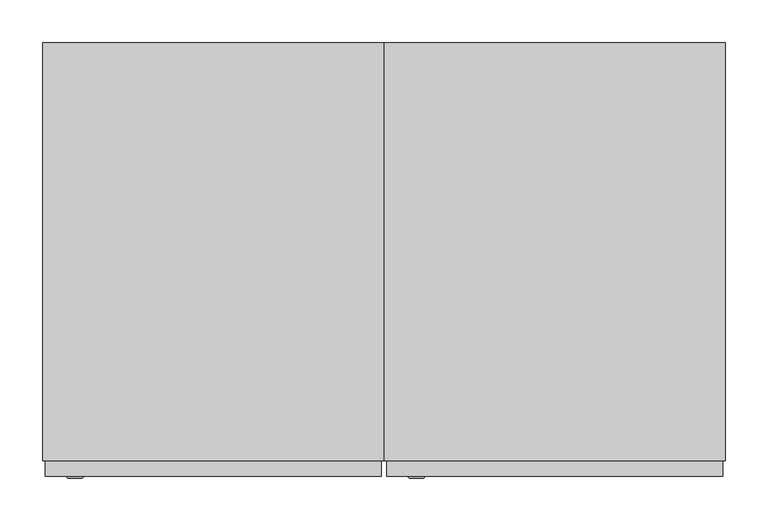
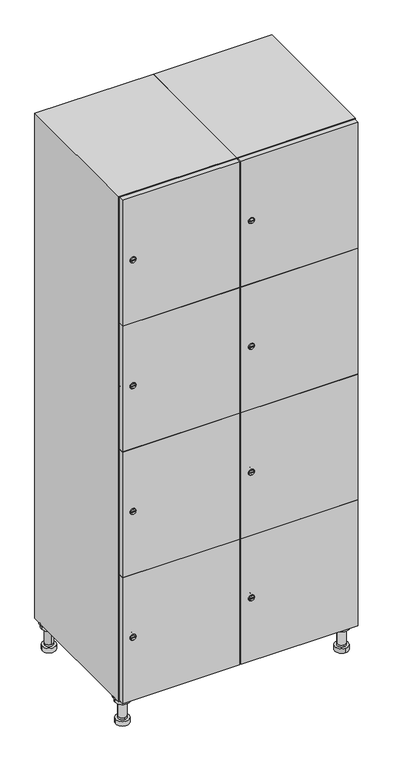
"""IFC4 building model written with IfcOpenShell, lengths in millimetres: furniture geometry."""

from ifc_helpers import new_model, si_unit, point, frame, frame_2d, origin, place, context, project, spatial, polyline, circle_curve, trimmed, segment, composite_curve, outline, extrude, faceted_brep, source, transform, mapped, element, save
from ifc_brep_helpers import plane_surface, cylinder_surface, revolved_surface, advanced_brep


def furniture_c2605e83(model_context):
    return source(origin(), model_context, "Body", "SolidModel", [
        advanced_brep(
        [(570.0, -201.0, 22.0), (570.0, -201.5, 16.0), (570.0, -228.5, 16.0), (570.0, -229.0, 22.0), (556.0, -215.0, 22.0), (584.0, -215.0, 22.0), (570.0, -192.5, 16.0), (570.0, -237.5, 16.0), (570.0, -192.5, 0.0), (570.0, -237.5, 0.0), (584.0, -215.0, 78.0), (556.0, -215.0, 78.0), (595.0, -215.0, 78.0), (545.0, -215.0, 78.0), (600.0, -215.0, 94.0), (540.0, -215.0, 94.0), (545.0, -215.0, 94.0), (595.0, -215.0, 94.0), (600.0, -215.0, 100.0), (540.0, -215.0, 100.0)],
        [
            (0, 1),
            (1, 2, circle_curve(frame((570.0, -215.0, 16.0), z_axis=(0.0, 0.0, 1.0), x_axis=(0.0, -1.0, 0.0)), 13.5)),
            (2, 3),
            (3, 4, circle_curve(frame((570.0, -215.0, 22.0), z_axis=(0.0, 0.0, -1.0), x_axis=(0.0, -1.0, 0.0)), 14.0)),
            (4, 0, circle_curve(frame((570.0, -215.0, 22.0), z_axis=(0.0, 0.0, -1.0), x_axis=(0.0, -1.0, 0.0)), 14.0)),
            (0, 5, circle_curve(frame((570.0, -215.0, 22.0), z_axis=(0.0, 0.0, -1.0), x_axis=(0.0, 1.0, 0.0)), 14.0)),
            (5, 3, circle_curve(frame((570.0, -215.0, 22.0), z_axis=(0.0, 0.0, -1.0), x_axis=(0.0, 1.0, 0.0)), 14.0)),
            (2, 1, circle_curve(frame((570.0, -215.0, 16.0), z_axis=(0.0, 0.0, 1.0), x_axis=(0.0, 1.0, 0.0)), 13.5)),
            (6, 7, circle_curve(frame((570.0, -215.0, 16.0), z_axis=(0.0, 0.0, 1.0), x_axis=(0.0, -1.0, 0.0)), 22.5)),
            (7, 6, circle_curve(frame((570.0, -215.0, 16.0), z_axis=(0.0, 0.0, 1.0), x_axis=(0.0, -1.0, 0.0)), 22.5)),
            (8, 9, circle_curve(frame((570.0, -215.0, 0.0), z_axis=(0.0, 0.0, -1.0), x_axis=(0.0, -1.0, 0.0)), 22.5)),
            (9, 8, circle_curve(frame((570.0, -215.0, 0.0), z_axis=(0.0, 0.0, -1.0), x_axis=(0.0, -1.0, 0.0)), 22.5)),
            (6, 8),
            (9, 7),
            (5, 10),
            (10, 11, circle_curve(frame((570.0, -215.0, 78.0), z_axis=(0.0, 0.0, -1.0), x_axis=(-1.0, 0.0, 0.0)), 14.0)),
            (11, 4),
            (11, 10, circle_curve(frame((570.0, -215.0, 78.0), z_axis=(0.0, 0.0, -1.0), x_axis=(-1.0, 0.0, 0.0)), 14.0)),
            (12, 13, circle_curve(frame((570.0, -215.0, 78.0), z_axis=(0.0, 0.0, -1.0), x_axis=(-1.0, 0.0, 0.0)), 25.0)),
            (13, 12, circle_curve(frame((570.0, -215.0, 78.0), z_axis=(0.0, 0.0, -1.0), x_axis=(-1.0, 0.0, 0.0)), 25.0)),
            (14, 15, circle_curve(frame((570.0, -215.0, 94.0), z_axis=(0.0, 0.0, -1.0), x_axis=(-1.0, 0.0, 0.0)), 30.0)),
            (15, 14, circle_curve(frame((570.0, -215.0, 94.0), z_axis=(0.0, 0.0, -1.0), x_axis=(-1.0, 0.0, 0.0)), 30.0)),
            (16, 17, circle_curve(frame((570.0, -215.0, 94.0), z_axis=(0.0, 0.0, 1.0), x_axis=(-1.0, 0.0, 0.0)), 25.0)),
            (17, 16, circle_curve(frame((570.0, -215.0, 94.0), z_axis=(0.0, 0.0, 1.0), x_axis=(-1.0, 0.0, 0.0)), 25.0)),
            (18, 19, circle_curve(frame((570.0, -215.0, 100.0), z_axis=(0.0, 0.0, 1.0), x_axis=(-1.0, 0.0, 0.0)), 30.0)),
            (19, 18, circle_curve(frame((570.0, -215.0, 100.0), z_axis=(0.0, 0.0, 1.0), x_axis=(-1.0, 0.0, 0.0)), 30.0)),
            (14, 18),
            (19, 15),
            (12, 17),
            (16, 13),
        ],
        [
            revolved_surface(polyline([(570.0, -201.5, 16.0), (570.0, -201.0, 22.0)]), (570.0, -215.0, -146.0), (0.0, 0.0, 1.0)),
            plane_surface(frame((570.0, 0.0, 16.0), z_axis=(0.0, 0.0, 1.0), x_axis=(0.0, -1.0, 0.0))),
            plane_surface(frame((570.0, 0.0, 0.0), z_axis=(0.0, 0.0, -1.0), x_axis=(0.0, -1.0, 0.0))),
            cylinder_surface(frame((570.0, -215.0, 16.0), z_axis=(0.0, 0.0, 1.0), x_axis=(0.0, -1.0, 0.0)), 22.5),
            cylinder_surface(frame((570.0, -215.0, 22.0), z_axis=(0.0, 0.0, -1.0), x_axis=(-1.0, 0.0, 0.0)), 14.0),
            plane_surface(frame((570.0, 0.0, 78.0), z_axis=(0.0, 0.0, -1.0), x_axis=(0.0, -1.0, 0.0))),
            plane_surface(frame((570.0, 0.0, 94.0), z_axis=(0.0, 0.0, -1.0), x_axis=(0.0, -1.0, 0.0))),
            plane_surface(frame((570.0, 0.0, 100.0), z_axis=(0.0, 0.0, 1.0), x_axis=(0.0, -1.0, 0.0))),
            cylinder_surface(frame((570.0, -215.0, 94.0), z_axis=(0.0, 0.0, -1.0), x_axis=(-1.0, 0.0, 0.0)), 30.0),
            cylinder_surface(frame((570.0, -215.0, 78.0), z_axis=(0.0, 0.0, -1.0), x_axis=(-1.0, 0.0, 0.0)), 25.0),
        ],
        [
            (0, [[1, 2, 3, 4, 5]]),
            (0, [[-1, 6, 7, -3, 8]]),
            (1, [[9, 10], [-2, -8]]),
            (2, [[11, 12]]),
            (3, [[-9, 13, -12, 14]]),
            (3, [[-10, -14, -11, -13]]),
            (4, [[15, 16, 17, -4, -7]]),
            (4, [[-15, -6, -5, -17, 18]]),
            (5, [[19, 20], [-16, -18]]),
            (6, [[21, 22], [23, 24]]),
            (7, [[25, 26]]),
            (8, [[-21, 27, -26, 28]]),
            (8, [[-22, -28, -25, -27]]),
            (9, [[-19, 29, -23, 30]]),
            (9, [[-20, -30, -24, -29]]),
        ],
    ),
        advanced_brep(
        [(-170.0, -201.0, 22.0), (-170.0, -201.5, 16.0), (-170.0, -228.5, 16.0), (-170.0, -229.0, 22.0), (-184.0, -215.0, 22.0), (-156.0, -215.0, 22.0), (-147.5, -215.0, 0.0), (-192.5, -215.0, 0.0), (-147.5, -215.0, 16.0), (-192.5, -215.0, 16.0), (-156.0, -215.0, 78.0), (-184.0, -215.0, 78.0), (-145.0, -215.0, 78.0), (-195.0, -215.0, 78.0), (-140.0, -215.0, 94.0), (-200.0, -215.0, 94.0), (-195.0, -215.0, 94.0), (-145.0, -215.0, 94.0), (-140.0, -215.0, 100.0), (-200.0, -215.0, 100.0)],
        [
            (0, 1),
            (1, 2, circle_curve(frame((-170.0, -215.0, 16.0), z_axis=(0.0, 0.0, 1.0), x_axis=(0.0, -1.0, 0.0)), 13.5)),
            (2, 3),
            (3, 4, circle_curve(frame((-170.0, -215.0, 22.0), z_axis=(0.0, 0.0, -1.0), x_axis=(0.0, -1.0, 0.0)), 14.0)),
            (4, 0, circle_curve(frame((-170.0, -215.0, 22.0), z_axis=(0.0, 0.0, -1.0), x_axis=(0.0, -1.0, 0.0)), 14.0)),
            (0, 5, circle_curve(frame((-170.0, -215.0, 22.0), z_axis=(0.0, 0.0, -1.0), x_axis=(0.0, 1.0, 0.0)), 14.0)),
            (5, 3, circle_curve(frame((-170.0, -215.0, 22.0), z_axis=(0.0, 0.0, -1.0), x_axis=(0.0, 1.0, 0.0)), 14.0)),
            (2, 1, circle_curve(frame((-170.0, -215.0, 16.0), z_axis=(0.0, 0.0, 1.0), x_axis=(0.0, 1.0, 0.0)), 13.5)),
            (6, 7, circle_curve(frame((-170.0, -215.0, 0.0), z_axis=(0.0, 0.0, -1.0), x_axis=(-1.0, 0.0, 0.0)), 22.5)),
            (7, 6, circle_curve(frame((-170.0, -215.0, 0.0), z_axis=(0.0, 0.0, -1.0), x_axis=(-1.0, 0.0, 0.0)), 22.5)),
            (8, 9, circle_curve(frame((-170.0, -215.0, 16.0), z_axis=(0.0, 0.0, 1.0), x_axis=(-1.0, 0.0, 0.0)), 22.5)),
            (9, 8, circle_curve(frame((-170.0, -215.0, 16.0), z_axis=(0.0, 0.0, 1.0), x_axis=(-1.0, 0.0, 0.0)), 22.5)),
            (6, 8),
            (9, 7),
            (5, 10),
            (10, 11, circle_curve(frame((-170.0, -215.0, 78.0), z_axis=(0.0, 0.0, -1.0), x_axis=(-1.0, 0.0, 0.0)), 14.0)),
            (11, 4),
            (11, 10, circle_curve(frame((-170.0, -215.0, 78.0), z_axis=(0.0, 0.0, -1.0), x_axis=(-1.0, 0.0, 0.0)), 14.0)),
            (12, 13, circle_curve(frame((-170.0, -215.0, 78.0), z_axis=(0.0, 0.0, -1.0), x_axis=(-1.0, 0.0, 0.0)), 25.0)),
            (13, 12, circle_curve(frame((-170.0, -215.0, 78.0), z_axis=(0.0, 0.0, -1.0), x_axis=(-1.0, 0.0, 0.0)), 25.0)),
            (14, 15, circle_curve(frame((-170.0, -215.0, 94.0), z_axis=(0.0, 0.0, -1.0), x_axis=(-1.0, 0.0, 0.0)), 30.0)),
            (15, 14, circle_curve(frame((-170.0, -215.0, 94.0), z_axis=(0.0, 0.0, -1.0), x_axis=(-1.0, 0.0, 0.0)), 30.0)),
            (16, 17, circle_curve(frame((-170.0, -215.0, 94.0), z_axis=(0.0, 0.0, 1.0), x_axis=(-1.0, 0.0, 0.0)), 25.0)),
            (17, 16, circle_curve(frame((-170.0, -215.0, 94.0), z_axis=(0.0, 0.0, 1.0), x_axis=(-1.0, 0.0, 0.0)), 25.0)),
            (18, 19, circle_curve(frame((-170.0, -215.0, 100.0), z_axis=(0.0, 0.0, 1.0), x_axis=(-1.0, 0.0, 0.0)), 30.0)),
            (19, 18, circle_curve(frame((-170.0, -215.0, 100.0), z_axis=(0.0, 0.0, 1.0), x_axis=(-1.0, 0.0, 0.0)), 30.0)),
            (14, 18),
            (19, 15),
            (12, 17),
            (16, 13),
        ],
        [
            revolved_surface(polyline([(-170.0, -201.5, 16.0), (-170.0, -201.0, 22.0)]), (-170.0, -215.0, -146.0), (0.0, 0.0, 1.0)),
            plane_surface(frame((-170.0, 0.0, 0.0), z_axis=(0.0, 0.0, -1.0), x_axis=(0.0, -1.0, 0.0))),
            plane_surface(frame((-170.0, 0.0, 16.0), z_axis=(0.0, 0.0, 1.0), x_axis=(0.0, -1.0, 0.0))),
            cylinder_surface(frame((-170.0, -215.0, 0.0), z_axis=(0.0, 0.0, -1.0), x_axis=(-1.0, 0.0, 0.0)), 22.5),
            cylinder_surface(frame((-170.0, -215.0, 22.0), z_axis=(0.0, 0.0, -1.0), x_axis=(-1.0, 0.0, 0.0)), 14.0),
            plane_surface(frame((-170.0, 0.0, 78.0), z_axis=(0.0, 0.0, -1.0), x_axis=(0.0, -1.0, 0.0))),
            plane_surface(frame((-170.0, 0.0, 94.0), z_axis=(0.0, 0.0, -1.0), x_axis=(0.0, -1.0, 0.0))),
            plane_surface(frame((-170.0, 0.0, 100.0), z_axis=(0.0, 0.0, 1.0), x_axis=(0.0, -1.0, 0.0))),
            cylinder_surface(frame((-170.0, -215.0, 94.0), z_axis=(0.0, 0.0, -1.0), x_axis=(-1.0, 0.0, 0.0)), 30.0),
            cylinder_surface(frame((-170.0, -215.0, 78.0), z_axis=(0.0, 0.0, -1.0), x_axis=(-1.0, 0.0, 0.0)), 25.0),
        ],
        [
            (0, [[1, 2, 3, 4, 5]]),
            (0, [[-1, 6, 7, -3, 8]]),
            (1, [[9, 10]]),
            (2, [[11, 12], [-2, -8]]),
            (3, [[-9, 13, -12, 14]]),
            (3, [[-10, -14, -11, -13]]),
            (4, [[15, 16, 17, -4, -7]]),
            (4, [[-15, -6, -5, -17, 18]]),
            (5, [[19, 20], [-16, -18]]),
            (6, [[21, 22], [23, 24]]),
            (7, [[25, 26]]),
            (8, [[-21, 27, -26, 28]]),
            (8, [[-22, -28, -25, -27]]),
            (9, [[-19, 29, -23, 30]]),
            (9, [[-20, -30, -24, -29]]),
        ],
    ),
        advanced_brep(
        [(583.5, 215.0, 16.0), (584.0, 215.0, 22.0), (556.0, 215.0, 22.0), (556.5, 215.0, 16.0), (592.5, 215.0, 0.0), (547.5, 215.0, 0.0), (592.5, 215.0, 16.0), (547.5, 215.0, 16.0), (584.0, 215.0, 78.0), (556.0, 215.0, 78.0), (595.0, 215.0, 78.0), (545.0, 215.0, 78.0), (600.0, 215.0, 94.0), (540.0, 215.0, 94.0), (545.0, 215.0, 94.0), (595.0, 215.0, 94.0), (600.0, 215.0, 100.0), (540.0, 215.0, 100.0)],
        [
            (0, 1),
            (1, 2, circle_curve(frame((570.0, 215.0, 22.0), z_axis=(0.0, 0.0, -1.0), x_axis=(-1.0, 0.0, 0.0)), 14.0)),
            (2, 3),
            (3, 0, circle_curve(frame((570.0, 215.0, 16.0), z_axis=(0.0, 0.0, 1.0), x_axis=(-1.0, 0.0, 0.0)), 13.5)),
            (0, 3, circle_curve(frame((570.0, 215.0, 16.0), z_axis=(0.0, 0.0, 1.0), x_axis=(1.0, 0.0, 0.0)), 13.5)),
            (2, 1, circle_curve(frame((570.0, 215.0, 22.0), z_axis=(0.0, 0.0, -1.0), x_axis=(1.0, 0.0, 0.0)), 14.0)),
            (4, 5, circle_curve(frame((570.0, 215.0, 0.0), z_axis=(0.0, 0.0, -1.0), x_axis=(-1.0, 0.0, 0.0)), 22.5)),
            (5, 4, circle_curve(frame((570.0, 215.0, 0.0), z_axis=(0.0, 0.0, -1.0), x_axis=(-1.0, 0.0, 0.0)), 22.5)),
            (6, 7, circle_curve(frame((570.0, 215.0, 16.0), z_axis=(0.0, 0.0, 1.0), x_axis=(-1.0, 0.0, 0.0)), 22.5)),
            (7, 6, circle_curve(frame((570.0, 215.0, 16.0), z_axis=(0.0, 0.0, 1.0), x_axis=(-1.0, 0.0, 0.0)), 22.5)),
            (4, 6),
            (7, 5),
            (1, 8),
            (8, 9, circle_curve(frame((570.0, 215.0, 78.0), z_axis=(0.0, 0.0, -1.0), x_axis=(-1.0, 0.0, 0.0)), 14.0)),
            (9, 2),
            (9, 8, circle_curve(frame((570.0, 215.0, 78.0), z_axis=(0.0, 0.0, -1.0), x_axis=(-1.0, 0.0, 0.0)), 14.0)),
            (10, 11, circle_curve(frame((570.0, 215.0, 78.0), z_axis=(0.0, 0.0, -1.0), x_axis=(-1.0, 0.0, 0.0)), 25.0)),
            (11, 10, circle_curve(frame((570.0, 215.0, 78.0), z_axis=(0.0, 0.0, -1.0), x_axis=(-1.0, 0.0, 0.0)), 25.0)),
            (12, 13, circle_curve(frame((570.0, 215.0, 94.0), z_axis=(0.0, 0.0, -1.0), x_axis=(-1.0, 0.0, 0.0)), 30.0)),
            (13, 12, circle_curve(frame((570.0, 215.0, 94.0), z_axis=(0.0, 0.0, -1.0), x_axis=(-1.0, 0.0, 0.0)), 30.0)),
            (14, 15, circle_curve(frame((570.0, 215.0, 94.0), z_axis=(0.0, 0.0, 1.0), x_axis=(-1.0, 0.0, 0.0)), 25.0)),
            (15, 14, circle_curve(frame((570.0, 215.0, 94.0), z_axis=(0.0, 0.0, 1.0), x_axis=(-1.0, 0.0, 0.0)), 25.0)),
            (16, 17, circle_curve(frame((570.0, 215.0, 100.0), z_axis=(0.0, 0.0, 1.0), x_axis=(-1.0, 0.0, 0.0)), 30.0)),
            (17, 16, circle_curve(frame((570.0, 215.0, 100.0), z_axis=(0.0, 0.0, 1.0), x_axis=(-1.0, 0.0, 0.0)), 30.0)),
            (12, 16),
            (17, 13),
            (10, 15),
            (14, 11),
        ],
        [
            revolved_surface(polyline([(583.5, 215.0, 16.0), (584.0, 215.0, 22.0)]), (570.0, 215.0, -146.0), (0.0, 0.0, 1.0)),
            plane_surface(frame((570.0, 0.0, 0.0), z_axis=(0.0, 0.0, -1.0), x_axis=(0.0, -1.0, 0.0))),
            plane_surface(frame((570.0, 0.0, 16.0), z_axis=(0.0, 0.0, 1.0), x_axis=(0.0, -1.0, 0.0))),
            cylinder_surface(frame((570.0, 215.0, 0.0), z_axis=(0.0, 0.0, -1.0), x_axis=(-1.0, 0.0, 0.0)), 22.5),
            cylinder_surface(frame((570.0, 215.0, 22.0), z_axis=(0.0, 0.0, -1.0), x_axis=(-1.0, 0.0, 0.0)), 14.0),
            plane_surface(frame((570.0, 0.0, 78.0), z_axis=(0.0, 0.0, -1.0), x_axis=(0.0, -1.0, 0.0))),
            plane_surface(frame((570.0, 0.0, 94.0), z_axis=(0.0, 0.0, -1.0), x_axis=(0.0, -1.0, 0.0))),
            plane_surface(frame((570.0, 0.0, 100.0), z_axis=(0.0, 0.0, 1.0), x_axis=(0.0, -1.0, 0.0))),
            cylinder_surface(frame((570.0, 215.0, 94.0), z_axis=(0.0, 0.0, -1.0), x_axis=(-1.0, 0.0, 0.0)), 30.0),
            cylinder_surface(frame((570.0, 215.0, 78.0), z_axis=(0.0, 0.0, -1.0), x_axis=(-1.0, 0.0, 0.0)), 25.0),
        ],
        [
            (0, [[1, 2, 3, 4]]),
            (0, [[-1, 5, -3, 6]]),
            (1, [[7, 8]]),
            (2, [[9, 10], [-4, -5]]),
            (3, [[-7, 11, -10, 12]]),
            (3, [[-8, -12, -9, -11]]),
            (4, [[13, 14, 15, -2]]),
            (4, [[-13, -6, -15, 16]]),
            (5, [[17, 18], [-14, -16]]),
            (6, [[19, 20], [21, 22]]),
            (7, [[23, 24]]),
            (8, [[-19, 25, -24, 26]]),
            (8, [[-20, -26, -23, -25]]),
            (9, [[-17, 27, -21, 28]]),
            (9, [[-18, -28, -22, -27]]),
        ],
    ),
        advanced_brep(
        [(-156.5, 215.0, 16.0), (-156.0, 215.0, 22.0), (-170.0, 201.0, 22.0), (-184.0, 215.0, 22.0), (-183.5, 215.0, 16.0), (-170.0, 229.0, 22.0), (-147.5, 215.0, 0.0), (-192.5, 215.0, 0.0), (-147.5, 215.0, 16.0), (-192.5, 215.0, 16.0), (-170.0, 229.0, 78.0), (-170.0, 201.0, 78.0), (-145.0, 215.0, 78.0), (-195.0, 215.0, 78.0), (-140.0, 215.0, 94.0), (-200.0, 215.0, 94.0), (-195.0, 215.0, 94.0), (-145.0, 215.0, 94.0), (-140.0, 215.0, 100.0), (-200.0, 215.0, 100.0)],
        [
            (0, 1),
            (1, 2, circle_curve(frame((-170.0, 215.0, 22.0), z_axis=(0.0, 0.0, -1.0), x_axis=(-1.0, 0.0, 0.0)), 14.0)),
            (2, 3, circle_curve(frame((-170.0, 215.0, 22.0), z_axis=(0.0, 0.0, -1.0), x_axis=(-1.0, 0.0, 0.0)), 14.0)),
            (3, 4),
            (4, 0, circle_curve(frame((-170.0, 215.0, 16.0), z_axis=(0.0, 0.0, 1.0), x_axis=(-1.0, 0.0, 0.0)), 13.5)),
            (0, 4, circle_curve(frame((-170.0, 215.0, 16.0), z_axis=(0.0, 0.0, 1.0), x_axis=(1.0, 0.0, 0.0)), 13.5)),
            (3, 5, circle_curve(frame((-170.0, 215.0, 22.0), z_axis=(0.0, 0.0, -1.0), x_axis=(1.0, 0.0, 0.0)), 14.0)),
            (5, 1, circle_curve(frame((-170.0, 215.0, 22.0), z_axis=(0.0, 0.0, -1.0), x_axis=(1.0, 0.0, 0.0)), 14.0)),
            (6, 7, circle_curve(frame((-170.0, 215.0, 0.0), z_axis=(0.0, 0.0, -1.0), x_axis=(-1.0, 0.0, 0.0)), 22.5)),
            (7, 6, circle_curve(frame((-170.0, 215.0, 0.0), z_axis=(0.0, 0.0, -1.0), x_axis=(-1.0, 0.0, 0.0)), 22.5)),
            (8, 9, circle_curve(frame((-170.0, 215.0, 16.0), z_axis=(0.0, 0.0, 1.0), x_axis=(-1.0, 0.0, 0.0)), 22.5)),
            (9, 8, circle_curve(frame((-170.0, 215.0, 16.0), z_axis=(0.0, 0.0, 1.0), x_axis=(-1.0, 0.0, 0.0)), 22.5)),
            (6, 8),
            (9, 7),
            (10, 5),
            (2, 11),
            (11, 10, circle_curve(frame((-170.0, 215.0, 78.0), z_axis=(0.0, 0.0, -1.0), x_axis=(0.0, -1.0, 0.0)), 14.0)),
            (10, 11, circle_curve(frame((-170.0, 215.0, 78.0), z_axis=(0.0, 0.0, -1.0), x_axis=(0.0, -1.0, 0.0)), 14.0)),
            (12, 13, circle_curve(frame((-170.0, 215.0, 78.0), z_axis=(0.0, 0.0, -1.0), x_axis=(-1.0, 0.0, 0.0)), 25.0)),
            (13, 12, circle_curve(frame((-170.0, 215.0, 78.0), z_axis=(0.0, 0.0, -1.0), x_axis=(-1.0, 0.0, 0.0)), 25.0)),
            (14, 15, circle_curve(frame((-170.0, 215.0, 94.0), z_axis=(0.0, 0.0, -1.0), x_axis=(-1.0, 0.0, 0.0)), 30.0)),
            (15, 14, circle_curve(frame((-170.0, 215.0, 94.0), z_axis=(0.0, 0.0, -1.0), x_axis=(-1.0, 0.0, 0.0)), 30.0)),
            (16, 17, circle_curve(frame((-170.0, 215.0, 94.0), z_axis=(0.0, 0.0, 1.0), x_axis=(-1.0, 0.0, 0.0)), 25.0)),
            (17, 16, circle_curve(frame((-170.0, 215.0, 94.0), z_axis=(0.0, 0.0, 1.0), x_axis=(-1.0, 0.0, 0.0)), 25.0)),
            (18, 19, circle_curve(frame((-170.0, 215.0, 100.0), z_axis=(0.0, 0.0, 1.0), x_axis=(-1.0, 0.0, 0.0)), 30.0)),
            (19, 18, circle_curve(frame((-170.0, 215.0, 100.0), z_axis=(0.0, 0.0, 1.0), x_axis=(-1.0, 0.0, 0.0)), 30.0)),
            (14, 18),
            (19, 15),
            (12, 17),
            (16, 13),
        ],
        [
            revolved_surface(polyline([(-156.5, 215.0, 16.0), (-156.0, 215.0, 22.0)]), (-170.0, 215.0, -146.0), (0.0, 0.0, 1.0)),
            plane_surface(frame((-170.0, 0.0, 0.0), z_axis=(0.0, 0.0, -1.0), x_axis=(0.0, -1.0, 0.0))),
            plane_surface(frame((-170.0, 0.0, 16.0), z_axis=(0.0, 0.0, 1.0), x_axis=(0.0, -1.0, 0.0))),
            cylinder_surface(frame((-170.0, 215.0, 0.0), z_axis=(0.0, 0.0, -1.0), x_axis=(-1.0, 0.0, 0.0)), 22.5),
            cylinder_surface(frame((-170.0, 215.0, 78.0), z_axis=(0.0, 0.0, 1.0), x_axis=(0.0, -1.0, 0.0)), 14.0),
            plane_surface(frame((-170.0, 0.0, 78.0), z_axis=(0.0, 0.0, -1.0), x_axis=(0.0, -1.0, 0.0))),
            plane_surface(frame((-170.0, 0.0, 94.0), z_axis=(0.0, 0.0, -1.0), x_axis=(0.0, -1.0, 0.0))),
            plane_surface(frame((-170.0, 0.0, 100.0), z_axis=(0.0, 0.0, 1.0), x_axis=(0.0, -1.0, 0.0))),
            cylinder_surface(frame((-170.0, 215.0, 94.0), z_axis=(0.0, 0.0, -1.0), x_axis=(-1.0, 0.0, 0.0)), 30.0),
            cylinder_surface(frame((-170.0, 215.0, 78.0), z_axis=(0.0, 0.0, -1.0), x_axis=(-1.0, 0.0, 0.0)), 25.0),
        ],
        [
            (0, [[1, 2, 3, 4, 5]]),
            (0, [[-1, 6, -4, 7, 8]]),
            (1, [[9, 10]]),
            (2, [[11, 12], [-5, -6]]),
            (3, [[-9, 13, -12, 14]]),
            (3, [[-10, -14, -11, -13]]),
            (4, [[15, -7, -3, 16, 17]]),
            (4, [[-15, 18, -16, -2, -8]]),
            (5, [[19, 20], [-17, -18]]),
            (6, [[21, 22], [23, 24]]),
            (7, [[25, 26]]),
            (8, [[-21, 27, -26, 28]]),
            (8, [[-22, -28, -25, -27]]),
            (9, [[-19, 29, -23, 30]]),
            (9, [[-20, -30, -24, -29]]),
        ],
    ),
        extrude(outline(composite_curve([segment(trimmed(circle_curve(frame_2d((327.25, 211.2010534)), 7.0), [point((334.25, 211.2010534))], [point((320.25, 211.2010534))], False, "CARTESIAN"), True, "CONTINUOUS"), segment(polyline([(320.25, 211.2010534), (320.25, 239.2010534)]), True, "CONTINUOUS"), segment(trimmed(circle_curve(frame_2d((327.25, 239.2010534)), 7.0), [point((320.25, 239.2010534))], [point((334.25, 239.2010534))], False, "CARTESIAN"), True, "CONTINUOUS"), segment(polyline([(334.25, 239.2010534), (334.25, 211.2010534)]), True, "CONTINUOUS")], self_intersect=False)), frame((0.0, -245.0, 0.0), z_axis=(0.0, 1.0, 0.0), x_axis=(0.0, 0.0, 1.0)), (0.0, 0.0, 1.0), 2.0),
        advanced_brep(
        [(246.5, -265.2, 327.25), (229.5, -265.2, 327.25), (233.0, -265.2, 326.0), (233.0, -265.2, 328.5), (243.0, -265.2, 328.5), (243.0, -265.2, 326.0), (248.5, -263.0, 327.25), (227.5, -263.0, 327.25), (233.0, -263.0, 328.5), (233.0, -263.0, 326.0), (243.0, -263.0, 326.0), (243.0, -263.0, 328.5)],
        [
            (0, 1, circle_curve(frame((238.0, -265.2, 327.25), z_axis=(0.0, -1.0, 0.0), x_axis=(1.0, 0.0, 0.0)), 8.5)),
            (1, 0, circle_curve(frame((238.0, -265.2, 327.25), z_axis=(0.0, -1.0, 0.0), x_axis=(-1.0, 0.0, 0.0)), 8.5)),
            (2, 3),
            (3, 4),
            (4, 5),
            (5, 2),
            (6, 7, circle_curve(frame((238.0, -263.0, 327.25), z_axis=(0.0, 1.0, 0.0), x_axis=(-1.0, 0.0, 0.0)), 10.5)),
            (7, 6, circle_curve(frame((238.0, -263.0, 327.25), z_axis=(0.0, 1.0, 0.0), x_axis=(1.0, 0.0, 0.0)), 10.5)),
            (8, 9),
            (9, 10),
            (10, 11),
            (11, 8),
            (0, 6),
            (7, 1),
            (8, 3),
            (2, 9),
            (11, 4),
            (10, 5),
        ],
        [
            plane_surface(frame((238.0, -265.2, 327.25), z_axis=(0.0, -1.0, 0.0), x_axis=(0.0, 0.0, 1.0))),
            plane_surface(frame((238.0, -263.0, 327.25), z_axis=(0.0, 1.0, 0.0), x_axis=(0.0, 0.0, 1.0))),
            revolved_surface(polyline([(246.5, -265.2, 327.25), (248.5, -263.0, 327.25)]), (238.0, -274.55, 327.25), (0.0, 1.0, 0.0)),
            revolved_surface(polyline([(229.5, -265.2, 327.25), (227.5, -263.0, 327.25)]), (238.0, -274.55, 327.25), (0.0, 1.0, 0.0)),
            plane_surface(frame((233.0, -263.0, 326.0), z_axis=(1.0, 0.0, 0.0), x_axis=(0.0, -1.0, 0.0))),
            plane_surface(frame((233.0, -263.0, 328.5), z_axis=(0.0, 0.0, -1.0), x_axis=(0.0, -1.0, 0.0))),
            plane_surface(frame((243.0, -263.0, 328.5), z_axis=(-1.0, 0.0, 0.0), x_axis=(0.0, -1.0, 0.0))),
            plane_surface(frame((243.0, -263.0, 326.0), z_axis=(0.0, 0.0, 1.0), x_axis=(0.0, -1.0, 0.0))),
        ],
        [
            (0, [[1, 2], [3, 4, 5, 6]]),
            (1, [[7, 8], [9, 10, 11, 12]]),
            (2, [[-1, 13, -8, 14]]),
            (3, [[-2, -14, -7, -13]]),
            (4, [[15, -3, 16, -9]]),
            (5, [[-15, -12, 17, -4]]),
            (6, [[-17, -11, 18, -5]]),
            (7, [[-16, -6, -18, -10]]),
        ],
    ),
        extrude(outline(composite_curve([segment(trimmed(circle_curve(frame_2d((775.75, 211.2010534)), 7.0), [point((782.75, 211.2010534))], [point((768.75, 211.2010534))], False, "CARTESIAN"), True, "CONTINUOUS"), segment(polyline([(768.75, 211.2010534), (768.75, 239.2010534)]), True, "CONTINUOUS"), segment(trimmed(circle_curve(frame_2d((775.75, 239.2010534)), 7.0), [point((768.75, 239.2010534))], [point((782.75, 239.2010534))], False, "CARTESIAN"), True, "CONTINUOUS"), segment(polyline([(782.75, 239.2010534), (782.75, 211.2010534)]), True, "CONTINUOUS")], self_intersect=False)), frame((0.0, -245.0, 0.0), z_axis=(0.0, 1.0, 0.0), x_axis=(0.0, 0.0, 1.0)), (0.0, 0.0, 1.0), 2.0),
        advanced_brep(
        [(246.5, -265.2, 775.75), (229.5, -265.2, 775.75), (233.0, -265.2, 774.5), (233.0, -265.2, 777.0), (243.0, -265.2, 777.0), (243.0, -265.2, 774.5), (248.5, -263.0, 775.75), (227.5, -263.0, 775.75), (233.0, -263.0, 777.0), (233.0, -263.0, 774.5), (243.0, -263.0, 774.5), (243.0, -263.0, 777.0)],
        [
            (0, 1, circle_curve(frame((238.0, -265.2, 775.75), z_axis=(0.0, -1.0, 0.0), x_axis=(1.0, 0.0, 0.0)), 8.5)),
            (1, 0, circle_curve(frame((238.0, -265.2, 775.75), z_axis=(0.0, -1.0, 0.0), x_axis=(-1.0, 0.0, 0.0)), 8.5)),
            (2, 3),
            (3, 4),
            (4, 5),
            (5, 2),
            (6, 7, circle_curve(frame((238.0, -263.0, 775.75), z_axis=(0.0, 1.0, 0.0), x_axis=(-1.0, 0.0, 0.0)), 10.5)),
            (7, 6, circle_curve(frame((238.0, -263.0, 775.75), z_axis=(0.0, 1.0, 0.0), x_axis=(1.0, 0.0, 0.0)), 10.5)),
            (8, 9),
            (9, 10),
            (10, 11),
            (11, 8),
            (0, 6),
            (7, 1),
            (8, 3),
            (2, 9),
            (11, 4),
            (10, 5),
        ],
        [
            plane_surface(frame((238.0, -265.2, 775.75), z_axis=(0.0, -1.0, 0.0), x_axis=(0.0, 0.0, 1.0))),
            plane_surface(frame((238.0, -263.0, 775.75), z_axis=(0.0, 1.0, 0.0), x_axis=(0.0, 0.0, 1.0))),
            revolved_surface(polyline([(246.5, -265.2, 775.75), (248.5, -263.0, 775.75)]), (238.0, -274.55, 775.75), (0.0, 1.0, 0.0)),
            revolved_surface(polyline([(229.5, -265.2, 775.75), (227.5, -263.0, 775.75)]), (238.0, -274.55, 775.75), (0.0, 1.0, 0.0)),
            plane_surface(frame((233.0, -263.0, 774.5), z_axis=(1.0, 0.0, 0.0), x_axis=(0.0, -1.0, 0.0))),
            plane_surface(frame((233.0, -263.0, 777.0), z_axis=(0.0, 0.0, -1.0), x_axis=(0.0, -1.0, 0.0))),
            plane_surface(frame((243.0, -263.0, 777.0), z_axis=(-1.0, 0.0, 0.0), x_axis=(0.0, -1.0, 0.0))),
            plane_surface(frame((243.0, -263.0, 774.5), z_axis=(0.0, 0.0, 1.0), x_axis=(0.0, -1.0, 0.0))),
        ],
        [
            (0, [[1, 2], [3, 4, 5, 6]]),
            (1, [[7, 8], [9, 10, 11, 12]]),
            (2, [[-1, 13, -8, 14]]),
            (3, [[-2, -14, -7, -13]]),
            (4, [[15, -3, 16, -9]]),
            (5, [[-15, -12, 17, -4]]),
            (6, [[-17, -11, 18, -5]]),
            (7, [[-16, -6, -18, -10]]),
        ],
    ),
        extrude(outline(composite_curve([segment(trimmed(circle_curve(frame_2d((1224.25, 211.2010534)), 7.0), [point((1231.25, 211.2010534))], [point((1217.25, 211.2010534))], False, "CARTESIAN"), True, "CONTINUOUS"), segment(polyline([(1217.25, 211.2010534), (1217.25, 239.2010534)]), True, "CONTINUOUS"), segment(trimmed(circle_curve(frame_2d((1224.25, 239.2010534)), 7.0), [point((1217.25, 239.2010534))], [point((1231.25, 239.2010534))], False, "CARTESIAN"), True, "CONTINUOUS"), segment(polyline([(1231.25, 239.2010534), (1231.25, 211.2010534)]), True, "CONTINUOUS")], self_intersect=False)), frame((0.0, -245.0, 0.0), z_axis=(0.0, 1.0, 0.0), x_axis=(0.0, 0.0, 1.0)), (0.0, 0.0, 1.0), 2.0),
        advanced_brep(
        [(246.5, -265.2, 1224.25), (229.5, -265.2, 1224.25), (233.0, -265.2, 1223.0), (233.0, -265.2, 1225.5), (243.0, -265.2, 1225.5), (243.0, -265.2, 1223.0), (248.5, -263.0, 1224.25), (227.5, -263.0, 1224.25), (233.0, -263.0, 1225.5), (233.0, -263.0, 1223.0), (243.0, -263.0, 1223.0), (243.0, -263.0, 1225.5)],
        [
            (0, 1, circle_curve(frame((238.0, -265.2, 1224.25), z_axis=(0.0, -1.0, 0.0), x_axis=(1.0, 0.0, 0.0)), 8.5)),
            (1, 0, circle_curve(frame((238.0, -265.2, 1224.25), z_axis=(0.0, -1.0, 0.0), x_axis=(-1.0, 0.0, 0.0)), 8.5)),
            (2, 3),
            (3, 4),
            (4, 5),
            (5, 2),
            (6, 7, circle_curve(frame((238.0, -263.0, 1224.25), z_axis=(0.0, 1.0, 0.0), x_axis=(-1.0, 0.0, 0.0)), 10.5)),
            (7, 6, circle_curve(frame((238.0, -263.0, 1224.25), z_axis=(0.0, 1.0, 0.0), x_axis=(1.0, 0.0, 0.0)), 10.5)),
            (8, 9),
            (9, 10),
            (10, 11),
            (11, 8),
            (0, 6),
            (7, 1),
            (8, 3),
            (2, 9),
            (11, 4),
            (10, 5),
        ],
        [
            plane_surface(frame((238.0, -265.2, 1224.25), z_axis=(0.0, -1.0, 0.0), x_axis=(0.0, 0.0, 1.0))),
            plane_surface(frame((238.0, -263.0, 1224.25), z_axis=(0.0, 1.0, 0.0), x_axis=(0.0, 0.0, 1.0))),
            revolved_surface(polyline([(246.5, -265.2, 1224.25), (248.5, -263.0, 1224.25)]), (238.0, -274.55, 1224.25), (0.0, 1.0, 0.0)),
            revolved_surface(polyline([(229.5, -265.2, 1224.25), (227.5, -263.0, 1224.25)]), (238.0, -274.55, 1224.25), (0.0, 1.0, 0.0)),
            plane_surface(frame((233.0, -263.0, 1223.0), z_axis=(1.0, 0.0, 0.0), x_axis=(0.0, -1.0, 0.0))),
            plane_surface(frame((233.0, -263.0, 1225.5), z_axis=(0.0, 0.0, -1.0), x_axis=(0.0, -1.0, 0.0))),
            plane_surface(frame((243.0, -263.0, 1225.5), z_axis=(-1.0, 0.0, 0.0), x_axis=(0.0, -1.0, 0.0))),
            plane_surface(frame((243.0, -263.0, 1223.0), z_axis=(0.0, 0.0, 1.0), x_axis=(0.0, -1.0, 0.0))),
        ],
        [
            (0, [[1, 2], [3, 4, 5, 6]]),
            (1, [[7, 8], [9, 10, 11, 12]]),
            (2, [[-1, 13, -8, 14]]),
            (3, [[-2, -14, -7, -13]]),
            (4, [[15, -3, 16, -9]]),
            (5, [[-15, -12, 17, -4]]),
            (6, [[-17, -11, 18, -5]]),
            (7, [[-16, -6, -18, -10]]),
        ],
    ),
        extrude(outline(composite_curve([segment(trimmed(circle_curve(frame_2d((1672.75, 211.2010534)), 7.0), [point((1679.75, 211.2010534))], [point((1665.75, 211.2010534))], False, "CARTESIAN"), True, "CONTINUOUS"), segment(polyline([(1665.75, 211.2010534), (1665.75, 239.2010534)]), True, "CONTINUOUS"), segment(trimmed(circle_curve(frame_2d((1672.75, 239.2010534)), 7.0), [point((1665.75, 239.2010534))], [point((1679.75, 239.2010534))], False, "CARTESIAN"), True, "CONTINUOUS"), segment(polyline([(1679.75, 239.2010534), (1679.75, 211.2010534)]), True, "CONTINUOUS")], self_intersect=False)), frame((0.0, -245.0, 0.0), z_axis=(0.0, 1.0, 0.0), x_axis=(0.0, 0.0, 1.0)), (0.0, 0.0, 1.0), 2.0),
        advanced_brep(
        [(246.5, -265.2, 1672.75), (229.5, -265.2, 1672.75), (233.0, -265.2, 1671.5), (233.0, -265.2, 1674.0), (243.0, -265.2, 1674.0), (243.0, -265.2, 1671.5), (248.5, -263.0, 1672.75), (227.5, -263.0, 1672.75), (233.0, -263.0, 1674.0), (233.0, -263.0, 1671.5), (243.0, -263.0, 1671.5), (243.0, -263.0, 1674.0)],
        [
            (0, 1, circle_curve(frame((238.0, -265.2, 1672.75), z_axis=(0.0, -1.0, 0.0), x_axis=(1.0, 0.0, 0.0)), 8.5)),
            (1, 0, circle_curve(frame((238.0, -265.2, 1672.75), z_axis=(0.0, -1.0, 0.0), x_axis=(-1.0, 0.0, 0.0)), 8.5)),
            (2, 3),
            (3, 4),
            (4, 5),
            (5, 2),
            (6, 7, circle_curve(frame((238.0, -263.0, 1672.75), z_axis=(0.0, 1.0, 0.0), x_axis=(-1.0, 0.0, 0.0)), 10.5)),
            (7, 6, circle_curve(frame((238.0, -263.0, 1672.75), z_axis=(0.0, 1.0, 0.0), x_axis=(1.0, 0.0, 0.0)), 10.5)),
            (8, 9),
            (9, 10),
            (10, 11),
            (11, 8),
            (0, 6),
            (7, 1),
            (8, 3),
            (2, 9),
            (11, 4),
            (10, 5),
        ],
        [
            plane_surface(frame((238.0, -265.2, 1672.75), z_axis=(0.0, -1.0, 0.0), x_axis=(0.0, 0.0, 1.0))),
            plane_surface(frame((238.0, -263.0, 1672.75), z_axis=(0.0, 1.0, 0.0), x_axis=(0.0, 0.0, 1.0))),
            revolved_surface(polyline([(246.5, -265.2, 1672.75), (248.5, -263.0, 1672.75)]), (238.0, -274.55, 1672.75), (0.0, 1.0, 0.0)),
            revolved_surface(polyline([(229.5, -265.2, 1672.75), (227.5, -263.0, 1672.75)]), (238.0, -274.55, 1672.75), (0.0, 1.0, 0.0)),
            plane_surface(frame((233.0, -263.0, 1671.5), z_axis=(1.0, 0.0, 0.0), x_axis=(0.0, -1.0, 0.0))),
            plane_surface(frame((233.0, -263.0, 1674.0), z_axis=(0.0, 0.0, -1.0), x_axis=(0.0, -1.0, 0.0))),
            plane_surface(frame((243.0, -263.0, 1674.0), z_axis=(-1.0, 0.0, 0.0), x_axis=(0.0, -1.0, 0.0))),
            plane_surface(frame((243.0, -263.0, 1671.5), z_axis=(0.0, 0.0, 1.0), x_axis=(0.0, -1.0, 0.0))),
        ],
        [
            (0, [[1, 2], [3, 4, 5, 6]]),
            (1, [[7, 8], [9, 10, 11, 12]]),
            (2, [[-1, 13, -8, 14]]),
            (3, [[-2, -14, -7, -13]]),
            (4, [[15, -3, 16, -9]]),
            (5, [[-15, -12, 17, -4]]),
            (6, [[-17, -11, 18, -5]]),
            (7, [[-16, -6, -18, -10]]),
        ],
    ),
        extrude(outline(polyline([(597.0, -245.0), (597.0, -263.0), (203.0, -263.0), (203.0, -245.0), (597.0, -245.0)])), frame((0.0, 0.0, 551.0), z_axis=(0.0, 0.0, 1.0), x_axis=(1.0, 0.0, 0.0)), (0.0, 0.0, 1.0), 448.5),
        extrude(outline(polyline([(597.0, -245.0), (597.0, -263.0), (203.0, -263.0), (203.0, -245.0), (597.0, -245.0)])), frame((0.0, 0.0, 1000.5), z_axis=(0.0, 0.0, 1.0), x_axis=(1.0, 0.0, 0.0)), (0.0, 0.0, 1.0), 447.5),
        extrude(outline(polyline([(203.0, -263.0), (203.0, -245.0), (597.0, -245.0), (597.0, -263.0), (203.0, -263.0)])), frame((0.0, 0.0, 1449.0), z_axis=(0.0, 0.0, 1.0), x_axis=(1.0, 0.0, 0.0)), (0.0, 0.0, 1.0), 448.0),
        extrude(outline(polyline([(597.0, -245.0), (597.0, -263.0), (203.0, -263.0), (203.0, -245.0), (597.0, -245.0)])), frame((0.0, 0.0, 103.0), z_axis=(0.0, 0.0, 1.0), x_axis=(1.0, 0.0, 0.0)), (0.0, 0.0, 1.0), 449.0),
        extrude(outline(polyline([(582.0, 227.0), (582.0, -227.0), (218.0, -227.0), (218.0, 227.0), (582.0, 227.0)])), frame((0.0, 0.0, 1432.0), z_axis=(0.0, 0.0, 1.0), x_axis=(1.0, 0.0, 0.0)), (0.0, 0.0, 1.0), 18.0),
        extrude(outline(polyline([(582.0, 227.0), (582.0, -227.0), (218.0, -227.0), (218.0, 227.0), (582.0, 227.0)])), frame((0.0, 0.0, 991.0), z_axis=(0.0, 0.0, 1.0), x_axis=(1.0, 0.0, 0.0)), (0.0, 0.0, 1.0), 18.0),
        extrude(outline(polyline([(582.0, 227.0), (582.0, -227.0), (218.0, -227.0), (218.0, 227.0), (582.0, 227.0)])), frame((0.0, 0.0, 550.0), z_axis=(0.0, 0.0, 1.0), x_axis=(1.0, 0.0, 0.0)), (0.0, 0.0, 1.0), 18.0),
        faceted_brep([(600.0, -245.0, 100.0), (600.0, -245.0, 1900.0), (200.0, -245.0, 1900.0), (200.0, -245.0, 100.0), (582.0, -245.0, 1882.0), (582.0, -245.0, 118.0), (218.0, -245.0, 118.0), (218.0, -245.0, 1882.0), (600.0, 245.0, 100.0), (200.0, 245.0, 100.0), (600.0, 245.0, 1900.0), (200.0, 245.0, 1900.0), (582.0, 227.0, 1882.0), (582.0, 227.0, 118.0), (200.0, 245.0, 1882.0), (218.0, 227.0, 1882.0), (218.0, 227.0, 118.0)], [[[0, 1, 2, 3], [4, 5, 6, 7]], [[8, 0, 3, 9]], [[1, 0, 8, 10]], [[1, 10, 11, 2]], [[4, 12, 13, 5]], [[9, 3, 2, 11, 14]], [[10, 8, 9, 14, 11]], [[12, 15, 16, 13]], [[15, 7, 6, 16]], [[4, 7, 15, 12]], [[6, 5, 13, 16]]]),
        extrude(outline(composite_curve([segment(trimmed(circle_curve(frame_2d((327.25, -188.7989466)), 7.0), [point((334.25, -188.7989466))], [point((320.25, -188.7989466))], False, "CARTESIAN"), True, "CONTINUOUS"), segment(polyline([(320.25, -188.7989466), (320.25, -160.7989466)]), True, "CONTINUOUS"), segment(trimmed(circle_curve(frame_2d((327.25, -160.7989466)), 7.0), [point((320.25, -160.7989466))], [point((334.25, -160.7989466))], False, "CARTESIAN"), True, "CONTINUOUS"), segment(polyline([(334.25, -160.7989466), (334.25, -188.7989466)]), True, "CONTINUOUS")], self_intersect=False)), frame((0.0, -245.0, 0.0), z_axis=(0.0, 1.0, 0.0), x_axis=(0.0, 0.0, 1.0)), (0.0, 0.0, 1.0), 2.0),
        advanced_brep(
        [(-153.5, -265.2, 327.25), (-170.5, -265.2, 327.25), (-167.0, -265.2, 326.0), (-167.0, -265.2, 328.5), (-157.0, -265.2, 328.5), (-157.0, -265.2, 326.0), (-151.5, -263.0, 327.25), (-172.5, -263.0, 327.25), (-167.0, -263.0, 328.5), (-167.0, -263.0, 326.0), (-157.0, -263.0, 326.0), (-157.0, -263.0, 328.5)],
        [
            (0, 1, circle_curve(frame((-162.0, -265.2, 327.25), z_axis=(0.0, -1.0, 0.0), x_axis=(1.0, 0.0, 0.0)), 8.5)),
            (1, 0, circle_curve(frame((-162.0, -265.2, 327.25), z_axis=(0.0, -1.0, 0.0), x_axis=(-1.0, 0.0, 0.0)), 8.5)),
            (2, 3),
            (3, 4),
            (4, 5),
            (5, 2),
            (6, 7, circle_curve(frame((-162.0, -263.0, 327.25), z_axis=(0.0, 1.0, 0.0), x_axis=(-1.0, 0.0, 0.0)), 10.5)),
            (7, 6, circle_curve(frame((-162.0, -263.0, 327.25), z_axis=(0.0, 1.0, 0.0), x_axis=(1.0, 0.0, 0.0)), 10.5)),
            (8, 9),
            (9, 10),
            (10, 11),
            (11, 8),
            (0, 6),
            (7, 1),
            (8, 3),
            (2, 9),
            (11, 4),
            (10, 5),
        ],
        [
            plane_surface(frame((-162.0, -265.2, 327.25), z_axis=(0.0, -1.0, 0.0), x_axis=(0.0, 0.0, 1.0))),
            plane_surface(frame((-162.0, -263.0, 327.25), z_axis=(0.0, 1.0, 0.0), x_axis=(0.0, 0.0, 1.0))),
            revolved_surface(polyline([(-153.5, -265.2, 327.25), (-151.5, -263.0, 327.25)]), (-162.0, -274.55, 327.25), (0.0, 1.0, 0.0)),
            revolved_surface(polyline([(-170.5, -265.2, 327.25), (-172.5, -263.0, 327.25)]), (-162.0, -274.55, 327.25), (0.0, 1.0, 0.0)),
            plane_surface(frame((-167.0, -263.0, 326.0), z_axis=(1.0, 0.0, 0.0), x_axis=(0.0, -1.0, 0.0))),
            plane_surface(frame((-167.0, -263.0, 328.5), z_axis=(0.0, 0.0, -1.0), x_axis=(0.0, -1.0, 0.0))),
            plane_surface(frame((-157.0, -263.0, 328.5), z_axis=(-1.0, 0.0, 0.0), x_axis=(0.0, -1.0, 0.0))),
            plane_surface(frame((-157.0, -263.0, 326.0), z_axis=(0.0, 0.0, 1.0), x_axis=(0.0, -1.0, 0.0))),
        ],
        [
            (0, [[1, 2], [3, 4, 5, 6]]),
            (1, [[7, 8], [9, 10, 11, 12]]),
            (2, [[-1, 13, -8, 14]]),
            (3, [[-2, -14, -7, -13]]),
            (4, [[15, -3, 16, -9]]),
            (5, [[-15, -12, 17, -4]]),
            (6, [[-17, -11, 18, -5]]),
            (7, [[-16, -6, -18, -10]]),
        ],
    ),
        extrude(outline(composite_curve([segment(trimmed(circle_curve(frame_2d((775.75, -188.7989466)), 7.0), [point((782.75, -188.7989466))], [point((768.75, -188.7989466))], False, "CARTESIAN"), True, "CONTINUOUS"), segment(polyline([(768.75, -188.7989466), (768.75, -160.7989466)]), True, "CONTINUOUS"), segment(trimmed(circle_curve(frame_2d((775.75, -160.7989466)), 7.0), [point((768.75, -160.7989466))], [point((782.75, -160.7989466))], False, "CARTESIAN"), True, "CONTINUOUS"), segment(polyline([(782.75, -160.7989466), (782.75, -188.7989466)]), True, "CONTINUOUS")], self_intersect=False)), frame((0.0, -245.0, 0.0), z_axis=(0.0, 1.0, 0.0), x_axis=(0.0, 0.0, 1.0)), (0.0, 0.0, 1.0), 2.0),
        advanced_brep(
        [(-153.5, -265.2, 775.75), (-170.5, -265.2, 775.75), (-167.0, -265.2, 774.5), (-167.0, -265.2, 777.0), (-157.0, -265.2, 777.0), (-157.0, -265.2, 774.5), (-151.5, -263.0, 775.75), (-172.5, -263.0, 775.75), (-167.0, -263.0, 777.0), (-167.0, -263.0, 774.5), (-157.0, -263.0, 774.5), (-157.0, -263.0, 777.0)],
        [
            (0, 1, circle_curve(frame((-162.0, -265.2, 775.75), z_axis=(0.0, -1.0, 0.0), x_axis=(1.0, 0.0, 0.0)), 8.5)),
            (1, 0, circle_curve(frame((-162.0, -265.2, 775.75), z_axis=(0.0, -1.0, 0.0), x_axis=(-1.0, 0.0, 0.0)), 8.5)),
            (2, 3),
            (3, 4),
            (4, 5),
            (5, 2),
            (6, 7, circle_curve(frame((-162.0, -263.0, 775.75), z_axis=(0.0, 1.0, 0.0), x_axis=(-1.0, 0.0, 0.0)), 10.5)),
            (7, 6, circle_curve(frame((-162.0, -263.0, 775.75), z_axis=(0.0, 1.0, 0.0), x_axis=(1.0, 0.0, 0.0)), 10.5)),
            (8, 9),
            (9, 10),
            (10, 11),
            (11, 8),
            (0, 6),
            (7, 1),
            (8, 3),
            (2, 9),
            (11, 4),
            (10, 5),
        ],
        [
            plane_surface(frame((-162.0, -265.2, 775.75), z_axis=(0.0, -1.0, 0.0), x_axis=(0.0, 0.0, 1.0))),
            plane_surface(frame((-162.0, -263.0, 775.75), z_axis=(0.0, 1.0, 0.0), x_axis=(0.0, 0.0, 1.0))),
            revolved_surface(polyline([(-153.5, -265.2, 775.75), (-151.5, -263.0, 775.75)]), (-162.0, -274.55, 775.75), (0.0, 1.0, 0.0)),
            revolved_surface(polyline([(-170.5, -265.2, 775.75), (-172.5, -263.0, 775.75)]), (-162.0, -274.55, 775.75), (0.0, 1.0, 0.0)),
            plane_surface(frame((-167.0, -263.0, 774.5), z_axis=(1.0, 0.0, 0.0), x_axis=(0.0, -1.0, 0.0))),
            plane_surface(frame((-167.0, -263.0, 777.0), z_axis=(0.0, 0.0, -1.0), x_axis=(0.0, -1.0, 0.0))),
            plane_surface(frame((-157.0, -263.0, 777.0), z_axis=(-1.0, 0.0, 0.0), x_axis=(0.0, -1.0, 0.0))),
            plane_surface(frame((-157.0, -263.0, 774.5), z_axis=(0.0, 0.0, 1.0), x_axis=(0.0, -1.0, 0.0))),
        ],
        [
            (0, [[1, 2], [3, 4, 5, 6]]),
            (1, [[7, 8], [9, 10, 11, 12]]),
            (2, [[-1, 13, -8, 14]]),
            (3, [[-2, -14, -7, -13]]),
            (4, [[15, -3, 16, -9]]),
            (5, [[-15, -12, 17, -4]]),
            (6, [[-17, -11, 18, -5]]),
            (7, [[-16, -6, -18, -10]]),
        ],
    ),
        extrude(outline(composite_curve([segment(trimmed(circle_curve(frame_2d((1224.25, -188.7989466)), 7.0), [point((1231.25, -188.7989466))], [point((1217.25, -188.7989466))], False, "CARTESIAN"), True, "CONTINUOUS"), segment(polyline([(1217.25, -188.7989466), (1217.25, -160.7989466)]), True, "CONTINUOUS"), segment(trimmed(circle_curve(frame_2d((1224.25, -160.7989466)), 7.0), [point((1217.25, -160.7989466))], [point((1231.25, -160.7989466))], False, "CARTESIAN"), True, "CONTINUOUS"), segment(polyline([(1231.25, -160.7989466), (1231.25, -188.7989466)]), True, "CONTINUOUS")], self_intersect=False)), frame((0.0, -245.0, 0.0), z_axis=(0.0, 1.0, 0.0), x_axis=(0.0, 0.0, 1.0)), (0.0, 0.0, 1.0), 2.0),
        advanced_brep(
        [(-153.5, -265.2, 1224.25), (-170.5, -265.2, 1224.25), (-167.0, -265.2, 1223.0), (-167.0, -265.2, 1225.5), (-157.0, -265.2, 1225.5), (-157.0, -265.2, 1223.0), (-151.5, -263.0, 1224.25), (-172.5, -263.0, 1224.25), (-167.0, -263.0, 1225.5), (-167.0, -263.0, 1223.0), (-157.0, -263.0, 1223.0), (-157.0, -263.0, 1225.5)],
        [
            (0, 1, circle_curve(frame((-162.0, -265.2, 1224.25), z_axis=(0.0, -1.0, 0.0), x_axis=(1.0, 0.0, 0.0)), 8.5)),
            (1, 0, circle_curve(frame((-162.0, -265.2, 1224.25), z_axis=(0.0, -1.0, 0.0), x_axis=(-1.0, 0.0, 0.0)), 8.5)),
            (2, 3),
            (3, 4),
            (4, 5),
            (5, 2),
            (6, 7, circle_curve(frame((-162.0, -263.0, 1224.25), z_axis=(0.0, 1.0, 0.0), x_axis=(-1.0, 0.0, 0.0)), 10.5)),
            (7, 6, circle_curve(frame((-162.0, -263.0, 1224.25), z_axis=(0.0, 1.0, 0.0), x_axis=(1.0, 0.0, 0.0)), 10.5)),
            (8, 9),
            (9, 10),
            (10, 11),
            (11, 8),
            (0, 6),
            (7, 1),
            (8, 3),
            (2, 9),
            (11, 4),
            (10, 5),
        ],
        [
            plane_surface(frame((-162.0, -265.2, 1224.25), z_axis=(0.0, -1.0, 0.0), x_axis=(0.0, 0.0, 1.0))),
            plane_surface(frame((-162.0, -263.0, 1224.25), z_axis=(0.0, 1.0, 0.0), x_axis=(0.0, 0.0, 1.0))),
            revolved_surface(polyline([(-153.5, -265.2, 1224.25), (-151.5, -263.0, 1224.25)]), (-162.0, -274.55, 1224.25), (0.0, 1.0, 0.0)),
            revolved_surface(polyline([(-170.5, -265.2, 1224.25), (-172.5, -263.0, 1224.25)]), (-162.0, -274.55, 1224.25), (0.0, 1.0, 0.0)),
            plane_surface(frame((-167.0, -263.0, 1223.0), z_axis=(1.0, 0.0, 0.0), x_axis=(0.0, -1.0, 0.0))),
            plane_surface(frame((-167.0, -263.0, 1225.5), z_axis=(0.0, 0.0, -1.0), x_axis=(0.0, -1.0, 0.0))),
            plane_surface(frame((-157.0, -263.0, 1225.5), z_axis=(-1.0, 0.0, 0.0), x_axis=(0.0, -1.0, 0.0))),
            plane_surface(frame((-157.0, -263.0, 1223.0), z_axis=(0.0, 0.0, 1.0), x_axis=(0.0, -1.0, 0.0))),
        ],
        [
            (0, [[1, 2], [3, 4, 5, 6]]),
            (1, [[7, 8], [9, 10, 11, 12]]),
            (2, [[-1, 13, -8, 14]]),
            (3, [[-2, -14, -7, -13]]),
            (4, [[15, -3, 16, -9]]),
            (5, [[-15, -12, 17, -4]]),
            (6, [[-17, -11, 18, -5]]),
            (7, [[-16, -6, -18, -10]]),
        ],
    ),
        extrude(outline(composite_curve([segment(trimmed(circle_curve(frame_2d((1672.75, -188.7989466)), 7.0), [point((1679.75, -188.7989466))], [point((1665.75, -188.7989466))], False, "CARTESIAN"), True, "CONTINUOUS"), segment(polyline([(1665.75, -188.7989466), (1665.75, -160.7989466)]), True, "CONTINUOUS"), segment(trimmed(circle_curve(frame_2d((1672.75, -160.7989466)), 7.0), [point((1665.75, -160.7989466))], [point((1679.75, -160.7989466))], False, "CARTESIAN"), True, "CONTINUOUS"), segment(polyline([(1679.75, -160.7989466), (1679.75, -188.7989466)]), True, "CONTINUOUS")], self_intersect=False)), frame((0.0, -245.0, 0.0), z_axis=(0.0, 1.0, 0.0), x_axis=(0.0, 0.0, 1.0)), (0.0, 0.0, 1.0), 2.0),
        advanced_brep(
        [(-153.5, -265.2, 1672.75), (-170.5, -265.2, 1672.75), (-167.0, -265.2, 1671.5), (-167.0, -265.2, 1674.0), (-157.0, -265.2, 1674.0), (-157.0, -265.2, 1671.5), (-151.5, -263.0, 1672.75), (-172.5, -263.0, 1672.75), (-167.0, -263.0, 1674.0), (-167.0, -263.0, 1671.5), (-157.0, -263.0, 1671.5), (-157.0, -263.0, 1674.0)],
        [
            (0, 1, circle_curve(frame((-162.0, -265.2, 1672.75), z_axis=(0.0, -1.0, 0.0), x_axis=(1.0, 0.0, 0.0)), 8.5)),
            (1, 0, circle_curve(frame((-162.0, -265.2, 1672.75), z_axis=(0.0, -1.0, 0.0), x_axis=(-1.0, 0.0, 0.0)), 8.5)),
            (2, 3),
            (3, 4),
            (4, 5),
            (5, 2),
            (6, 7, circle_curve(frame((-162.0, -263.0, 1672.75), z_axis=(0.0, 1.0, 0.0), x_axis=(-1.0, 0.0, 0.0)), 10.5)),
            (7, 6, circle_curve(frame((-162.0, -263.0, 1672.75), z_axis=(0.0, 1.0, 0.0), x_axis=(1.0, 0.0, 0.0)), 10.5)),
            (8, 9),
            (9, 10),
            (10, 11),
            (11, 8),
            (0, 6),
            (7, 1),
            (8, 3),
            (2, 9),
            (11, 4),
            (10, 5),
        ],
        [
            plane_surface(frame((-162.0, -265.2, 1672.75), z_axis=(0.0, -1.0, 0.0), x_axis=(0.0, 0.0, 1.0))),
            plane_surface(frame((-162.0, -263.0, 1672.75), z_axis=(0.0, 1.0, 0.0), x_axis=(0.0, 0.0, 1.0))),
            revolved_surface(polyline([(-153.5, -265.2, 1672.75), (-151.5, -263.0, 1672.75)]), (-162.0, -274.55, 1672.75), (0.0, 1.0, 0.0)),
            revolved_surface(polyline([(-170.5, -265.2, 1672.75), (-172.5, -263.0, 1672.75)]), (-162.0, -274.55, 1672.75), (0.0, 1.0, 0.0)),
            plane_surface(frame((-167.0, -263.0, 1671.5), z_axis=(1.0, 0.0, 0.0), x_axis=(0.0, -1.0, 0.0))),
            plane_surface(frame((-167.0, -263.0, 1674.0), z_axis=(0.0, 0.0, -1.0), x_axis=(0.0, -1.0, 0.0))),
            plane_surface(frame((-157.0, -263.0, 1674.0), z_axis=(-1.0, 0.0, 0.0), x_axis=(0.0, -1.0, 0.0))),
            plane_surface(frame((-157.0, -263.0, 1671.5), z_axis=(0.0, 0.0, 1.0), x_axis=(0.0, -1.0, 0.0))),
        ],
        [
            (0, [[1, 2], [3, 4, 5, 6]]),
            (1, [[7, 8], [9, 10, 11, 12]]),
            (2, [[-1, 13, -8, 14]]),
            (3, [[-2, -14, -7, -13]]),
            (4, [[15, -3, 16, -9]]),
            (5, [[-15, -12, 17, -4]]),
            (6, [[-17, -11, 18, -5]]),
            (7, [[-16, -6, -18, -10]]),
        ],
    ),
        extrude(outline(polyline([(197.0, -245.0), (197.0, -263.0), (-197.0, -263.0), (-197.0, -245.0), (197.0, -245.0)])), frame((0.0, 0.0, 551.0), z_axis=(0.0, 0.0, 1.0), x_axis=(1.0, 0.0, 0.0)), (0.0, 0.0, 1.0), 448.5),
        extrude(outline(polyline([(197.0, -245.0), (197.0, -263.0), (-197.0, -263.0), (-197.0, -245.0), (197.0, -245.0)])), frame((0.0, 0.0, 1000.5), z_axis=(0.0, 0.0, 1.0), x_axis=(1.0, 0.0, 0.0)), (0.0, 0.0, 1.0), 447.5),
        extrude(outline(polyline([(-197.0, -263.0), (-197.0, -245.0), (197.0, -245.0), (197.0, -263.0), (-197.0, -263.0)])), frame((0.0, 0.0, 1449.0), z_axis=(0.0, 0.0, 1.0), x_axis=(1.0, 0.0, 0.0)), (0.0, 0.0, 1.0), 448.0),
        extrude(outline(polyline([(197.0, -245.0), (197.0, -263.0), (-197.0, -263.0), (-197.0, -245.0), (197.0, -245.0)])), frame((0.0, 0.0, 103.0), z_axis=(0.0, 0.0, 1.0), x_axis=(1.0, 0.0, 0.0)), (0.0, 0.0, 1.0), 449.0),
        extrude(outline(polyline([(182.0, 227.0), (182.0, -227.0), (-182.0, -227.0), (-182.0, 227.0), (182.0, 227.0)])), frame((0.0, 0.0, 1432.0), z_axis=(0.0, 0.0, 1.0), x_axis=(1.0, 0.0, 0.0)), (0.0, 0.0, 1.0), 18.0),
        extrude(outline(polyline([(182.0, 227.0), (182.0, -227.0), (-182.0, -227.0), (-182.0, 227.0), (182.0, 227.0)])), frame((0.0, 0.0, 991.0), z_axis=(0.0, 0.0, 1.0), x_axis=(1.0, 0.0, 0.0)), (0.0, 0.0, 1.0), 18.0),
        extrude(outline(polyline([(182.0, 227.0), (182.0, -227.0), (-182.0, -227.0), (-182.0, 227.0), (182.0, 227.0)])), frame((0.0, 0.0, 550.0), z_axis=(0.0, 0.0, 1.0), x_axis=(1.0, 0.0, 0.0)), (0.0, 0.0, 1.0), 18.0),
        faceted_brep([(200.0, -245.0, 100.0), (200.0, -245.0, 1900.0), (-200.0, -245.0, 1900.0), (-200.0, -245.0, 100.0), (182.0, -245.0, 1882.0), (182.0, -245.0, 118.0), (-182.0, -245.0, 118.0), (-182.0, -245.0, 1882.0), (200.0, 245.0, 100.0), (-200.0, 245.0, 100.0), (200.0, 245.0, 1900.0), (-200.0, 245.0, 1900.0), (182.0, 227.0, 1882.0), (182.0, 227.0, 118.0), (-200.0, 245.0, 1882.0), (-182.0, 227.0, 1882.0), (-182.0, 227.0, 118.0)], [[[0, 1, 2, 3], [4, 5, 6, 7]], [[8, 0, 3, 9]], [[1, 0, 8, 10]], [[1, 10, 11, 2]], [[4, 12, 13, 5]], [[9, 3, 2, 11, 14]], [[10, 8, 9, 14, 11]], [[12, 15, 16, 13]], [[15, 7, 6, 16]], [[4, 7, 15, 12]], [[6, 5, 13, 16]]]),
    ])


if __name__ == "__main__":
    model = new_model("IFC4")
    model_context = context("Model", 3, world=origin())
    ifc_project = project(units=[si_unit("LENGTHUNIT", "METRE", prefix="MILLI")], contexts=[model_context])
    site = spatial("IfcSite", under=ifc_project)
    building = spatial("IfcBuilding", under=site)
    placement = place(None, origin())
    furniture_shape = furniture_c2605e83(model_context)
    element("IfcFurniture", 1, at=placement, inside=building, context=model_context, shape_type="MappedRepresentation", body=[
        mapped(furniture_shape, transform((0.0, 0.0, 0.0), x_axis=(1.0, 0.0, 0.0), y_axis=(0.0, 1.0, 0.0), z_axis=(0.0, 0.0, 1.0))),
    ])
    save(model, "model.ifc")
